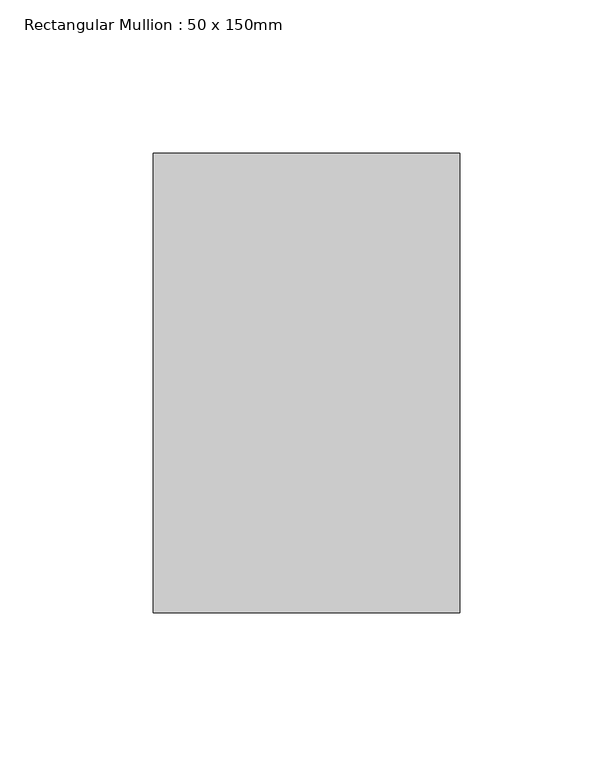
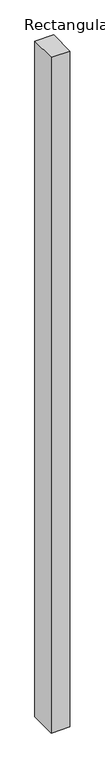
"""IFC4 building model written with IfcOpenShell, lengths in millimetres: member geometry, Rectangular Mullion : 50 x 150mm."""

from ifc_helpers import new_model, si_unit, frame, origin, place, context, project, spatial, polyline, outline, extrude, source, transform, mapped, element, save


def rectangular_mullion_50_x_150mm_3c0d9152(model_context):
    return source(origin(), model_context, "Body", "SweptSolid", [
        extrude(outline(polyline([(50.0, 75.0), (50.0, -75.0), (-50.0, -75.0), (-50.0, 75.0), (50.0, 75.0)])), frame((0.0, 0.0, -3805.2771864), z_axis=(0.0, 0.0, 1.0), x_axis=(1.0, 0.0, 0.0)), (0.0, 0.0, 1.0), 3805.2771864),
    ])


if __name__ == "__main__":
    model = new_model("IFC4")
    model_context = context("Model", 3, world=origin())
    ifc_project = project(units=[si_unit("LENGTHUNIT", "METRE", prefix="MILLI")], contexts=[model_context])
    site = spatial("IfcSite", under=ifc_project)
    building = spatial("IfcBuilding", under=site)
    placement = place(None, origin())
    rectangular_mullion_50_x_150mm_shape = rectangular_mullion_50_x_150mm_3c0d9152(model_context)
    element("IfcMember", 1, ObjectType="Rectangular Mullion : 50 x 150mm", at=placement, inside=building, context=model_context, shape_type="MappedRepresentation", body=[
        mapped(rectangular_mullion_50_x_150mm_shape, transform((0.0, 0.0, 0.0), x_axis=(1.0, 0.0, 0.0), y_axis=(0.0, 1.0, 0.0), z_axis=(0.0, 0.0, 1.0))),
    ])
    save(model, "model.ifc")
